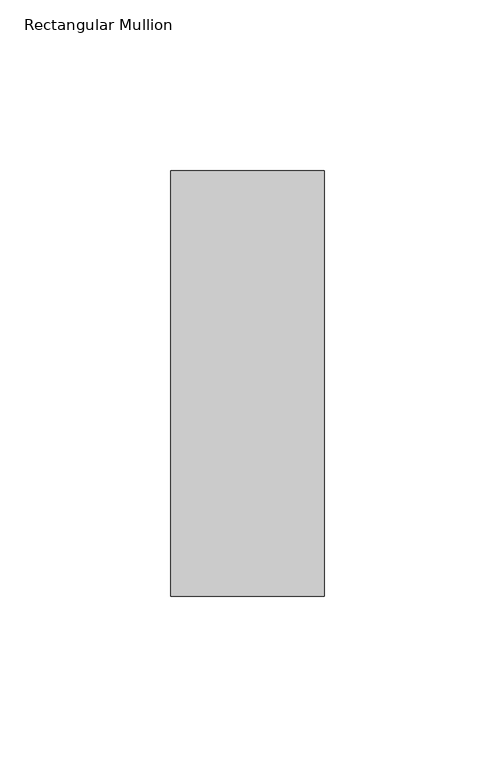
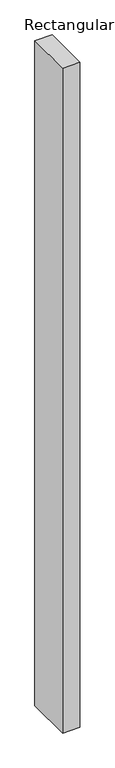
"""IFC4 building model written with IfcOpenShell, lengths in millimetres: member geometry, Rectangular Mullion."""

from ifc_helpers import new_model, si_unit, frame, origin, place, context, project, spatial, polyline, outline, extrude, source, transform, mapped, element, save


def rectangular_mullion_ecc2d83e(model_context):
    return source(origin(), model_context, "Body", "SweptSolid", [
        extrude(outline(polyline([(22.5, 77.84375), (22.5, -46.84375), (-22.5, -46.84375), (-22.5, 77.84375), (22.5, 77.84375)])), frame((0.0, 0.0, -1828.8), z_axis=(0.0, 0.0, 1.0), x_axis=(1.0, 0.0, 0.0)), (0.0, 0.0, 1.0), 1828.8),
    ])


if __name__ == "__main__":
    model = new_model("IFC4")
    model_context = context("Model", 3, world=origin())
    ifc_project = project(units=[si_unit("LENGTHUNIT", "METRE", prefix="MILLI")], contexts=[model_context])
    site = spatial("IfcSite", under=ifc_project)
    building = spatial("IfcBuilding", under=site)
    placement = place(None, origin())
    rectangular_mullion_shape = rectangular_mullion_ecc2d83e(model_context)
    element("IfcMember", 1, ObjectType="Rectangular Mullion", at=placement, inside=building, context=model_context, shape_type="MappedRepresentation", body=[
        mapped(rectangular_mullion_shape, transform((0.0, 0.0, 0.0), x_axis=(1.0, 0.0, 0.0), y_axis=(0.0, 1.0, 0.0), z_axis=(0.0, 0.0, 1.0))),
    ])
    save(model, "model.ifc")
